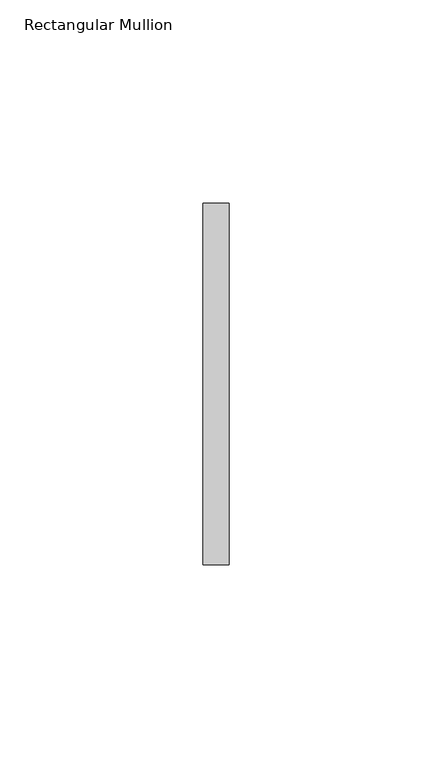
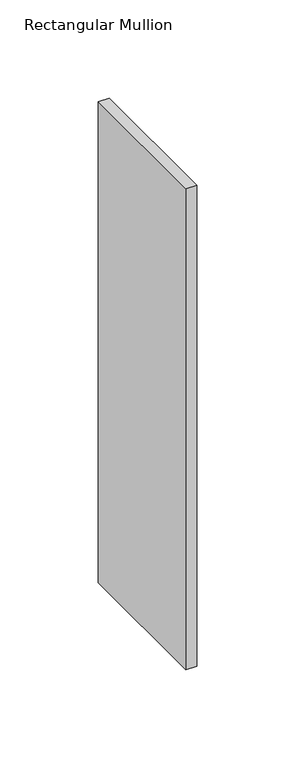
"""IFC4 building model written with IfcOpenShell, lengths in millimetres: member geometry, Rectangular Mullion."""

from ifc_helpers import new_model, si_unit, frame, origin, place, context, project, spatial, polyline, outline, extrude, source, transform, mapped, element, save


def rectangular_mullion_e78f19ca(model_context):
    return source(origin(), model_context, "Body", "SweptSolid", [
        extrude(outline(polyline([(0.0, 44.45), (0.0, -44.45), (-6.35, -44.45), (-6.35, 44.45), (0.0, 44.45)])), frame((0.0, 0.0, -298.5165918), z_axis=(0.0, 0.0, 1.0), x_axis=(1.0, 0.0, 0.0)), (0.0, 0.0, 1.0), 298.5165918),
    ])


if __name__ == "__main__":
    model = new_model("IFC4")
    model_context = context("Model", 3, world=origin())
    ifc_project = project(units=[si_unit("LENGTHUNIT", "METRE", prefix="MILLI")], contexts=[model_context])
    site = spatial("IfcSite", under=ifc_project)
    building = spatial("IfcBuilding", under=site)
    placement = place(None, origin())
    rectangular_mullion_shape = rectangular_mullion_e78f19ca(model_context)
    element("IfcMember", 1, ObjectType="Rectangular Mullion", at=placement, inside=building, context=model_context, shape_type="MappedRepresentation", body=[
        mapped(rectangular_mullion_shape, transform((0.0, 0.0, 0.0), x_axis=(1.0, 0.0, 0.0), y_axis=(0.0, 1.0, 0.0), z_axis=(0.0, 0.0, 1.0))),
    ])
    save(model, "model.ifc")
